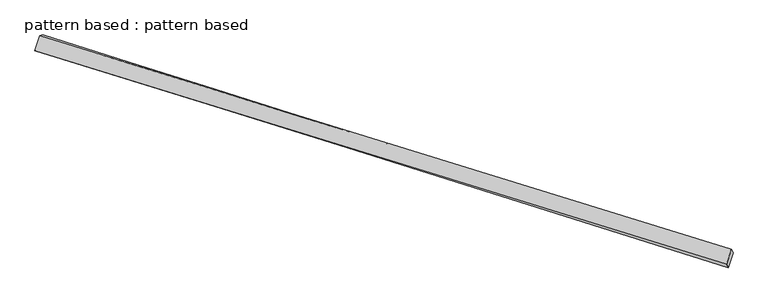
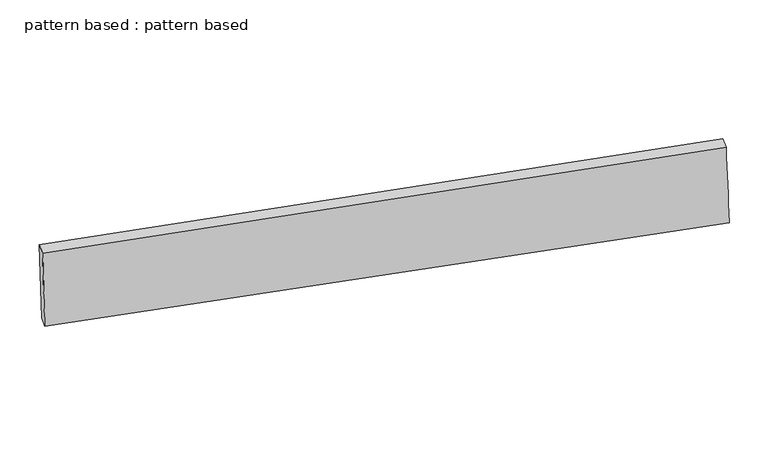
"""IFC4 building model written with IfcOpenShell, lengths in millimetres: plate geometry, pattern based : pattern based."""

from ifc_helpers import new_model, si_unit, frame, origin, place, context, project, spatial, source, transform, mapped, element, save
from ifc_brep_helpers import plane_surface, spline_surface, advanced_brep


def pattern_based_pattern_based_6f6ab9e2(model_context):
    return source(origin(), model_context, "Body", "AdvancedBrep", [
        advanced_brep(
        [(3805.6090236, 3805.6090236, -16.763088), (3800.5295052, 3803.9765018, 133.1419932), (3807.9796572, 3827.8404602, 133.0600019), (3813.0591756, 3829.4729821, -16.8450793), (4903.1664729, 3463.589731, 166.6283551), (4910.6166249, 3487.4536894, 166.5463639), (4906.100988, 3458.4252838, 16.7460109), (4913.55114, 3482.2892423, 16.6640197)],
        [
            (0, 1),
            (1, 2),
            (2, 3),
            (3, 0),
            (1, 4),
            (4, 5),
            (5, 2),
            (4, 6),
            (6, 7),
            (7, 5),
            (6, 0),
            (3, 7),
        ],
        [
            plane_surface(frame((3803.0692644, 3804.7927627, 58.1894526), z_axis=(-0.9541879369900421, 0.29779049878278857, -0.02908951249824355), x_axis=(-0.03386345632393988, -0.01088347901637064, 0.9993672078922227))),
            plane_surface(frame((4351.847989, 3633.7831164, 149.8851742), z_axis=(-0.026720987302228334, 0.011776408498625044, 0.9995735615953776), x_axis=(0.9551052544334755, -0.29484336439632486, 0.029005920516718294))),
            plane_surface(frame((4904.6337304, 3461.0075074, 91.687183), z_axis=(0.9541918575629884, -0.29779222664815685, 0.02894285245836185), x_axis=(0.01956343353638903, -0.034429647901900326, -0.9992156280871605))),
            plane_surface(frame((4355.8550058, 3632.0171537, -0.0085385), z_axis=(0.02672098730222806, -0.011776408498625934, -0.9995735615953775), x_axis=(-0.9532654176755226, 0.3007366372874453, -0.029026168485542105))),
            spline_surface(1, 1, [[(3807.9796572, 3827.8404602, 133.0600019), (3813.0591756, 3829.4729821, -16.8450793)], [(4910.6166249, 3487.4536894, 166.5463639), (4913.55114, 3482.2892423, 16.6640197)]], [2, 2], [2, 2], [0.0, 1.0], [0.0, 1.0]),
            spline_surface(1, 1, [[(4906.100988, 3458.4252838, 16.7460109), (3805.6090236, 3805.6090236, -16.763088)], [(4903.1664729, 3463.589731, 166.6283551), (3800.5295052, 3803.9765018, 133.1419932)]], [2, 2], [2, 2], [0.0, 1.0], [0.0, 1.0]),
        ],
        [
            (0, [[1, 2, 3, 4]]),
            (1, [[5, 6, 7, -2]]),
            (2, [[8, 9, 10, -6]]),
            (3, [[11, -4, 12, -9]]),
            (4, [[-3, -7, -10, -12]]),
            (5, [[-11, -8, -5, -1]]),
        ],
    ),
    ])


if __name__ == "__main__":
    model = new_model("IFC4")
    model_context = context("Model", 3, world=origin())
    ifc_project = project(units=[si_unit("LENGTHUNIT", "METRE", prefix="MILLI")], contexts=[model_context])
    site = spatial("IfcSite", under=ifc_project)
    building = spatial("IfcBuilding", under=site)
    placement = place(None, origin())
    pattern_based_pattern_based_shape = pattern_based_pattern_based_6f6ab9e2(model_context)
    element("IfcPlate", 1, ObjectType="pattern based : pattern based", at=placement, inside=building, context=model_context, shape_type="MappedRepresentation", body=[
        mapped(pattern_based_pattern_based_shape, transform((0.0, 0.0, 0.0), x_axis=(1.0, 0.0, 0.0), y_axis=(0.0, 1.0, 0.0), z_axis=(0.0, 0.0, 1.0))),
    ])
    save(model, "model.ifc")
